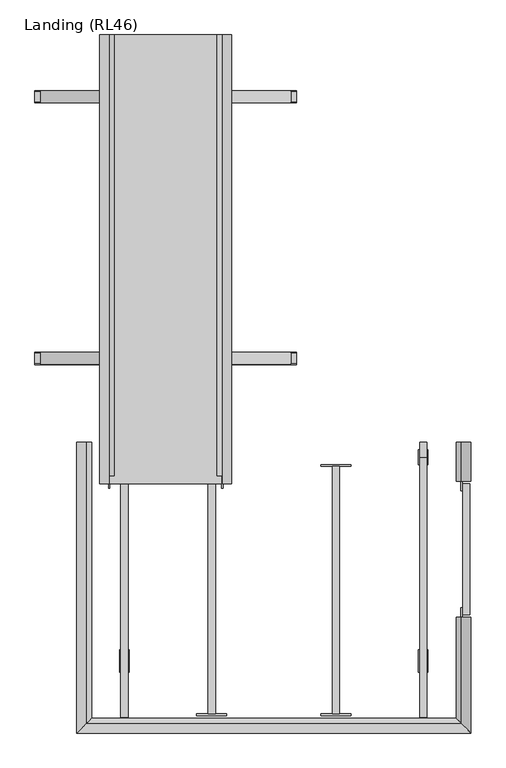
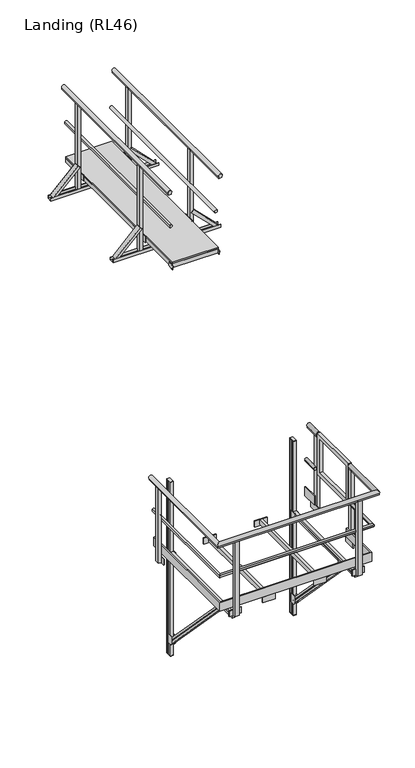
"""IFC4 building model written with IfcOpenShell, lengths in millimetres: proxy geometry, Landing (RL46)."""

from ifc_helpers import new_model, si_unit, frame, origin, place, context, project, spatial, polyline, circle_curve, ellipse_curve, outline, extrude, faceted_brep, source, transform, mapped, element, save
from ifc_brep_helpers import plane_surface, cylinder_surface, advanced_brep


def landing_rl46_ac46cdca(model_context):
    return source(origin(), model_context, "Body", "SolidModel", [
        advanced_brep(
        [(-1680.0, 2400.0, 9486.25), (-1680.0, 2400.0, 9459.75), (-1680.0, 41.3809842, 9486.25), (-1680.0, 41.3809842, 9459.75), (-1694.9812383, 41.3809842, 9493.0)],
        [
            (0, 1),
            (1, 0, circle_curve(frame((-1694.9812383, 2400.0, 9473.0), z_axis=(0.0, 1.0, 0.0), x_axis=(-1.0, 0.0, 0.0)), 20.0)),
            (0, 2),
            (2, 3),
            (3, 1),
            (3, 4, circle_curve(frame((-1694.9812383, 41.3809842, 9473.0), z_axis=(0.0, 1.0, 0.0), x_axis=(-1.0, 0.0, 0.0)), 20.0)),
            (4, 2, circle_curve(frame((-1694.9812383, 41.3809842, 9473.0), z_axis=(0.0, 1.0, 0.0), x_axis=(-1.0, 0.0, 0.0)), 20.0)),
        ],
        [
            plane_surface(frame((-1714.9812383, 2400.0, 9473.0), z_axis=(0.0, 1.0, 0.0), x_axis=(0.0, 0.0, 1.0))),
            plane_surface(frame((-1680.0, 0.0, 9459.75), z_axis=(1.0, 0.0, 0.0), x_axis=(0.0, 1.0, 0.0))),
            cylinder_surface(frame((-1694.9812383, 2400.0, 9473.0), z_axis=(0.0, -1.0, 0.0), x_axis=(-1.0, 0.0, 0.0)), 20.0),
            plane_surface(frame((-1617.2512627, 41.3809842, 9000.0), z_axis=(0.0, -1.0, 0.0), x_axis=(-1.0, 0.0, 0.0))),
        ],
        [
            (0, [[1, 2]]),
            (1, [[-1, 3, 4, 5]]),
            (2, [[-2, -5, 6, 7, -3]]),
            (3, [[-4, -7, -6]]),
        ],
    ),
        advanced_brep(
        [(-2299.0, 2400.0, 9486.25), (-2299.0, 2400.0, 9459.75), (-2299.0, 41.3809842, 9459.75), (-2299.0, 41.3809842, 9486.25), (-2284.0187617, 41.3809842, 9493.0)],
        [
            (0, 1, circle_curve(frame((-2284.0187617, 2400.0, 9473.0), z_axis=(0.0, 1.0, 0.0), x_axis=(1.0, 0.0, 0.0)), 20.0)),
            (1, 0),
            (1, 2),
            (2, 3),
            (3, 0),
            (3, 4, circle_curve(frame((-2284.0187617, 41.3809842, 9473.0), z_axis=(0.0, 1.0, 0.0), x_axis=(1.0, 0.0, 0.0)), 20.0)),
            (4, 2, circle_curve(frame((-2284.0187617, 41.3809842, 9473.0), z_axis=(0.0, 1.0, 0.0), x_axis=(1.0, 0.0, 0.0)), 20.0)),
        ],
        [
            plane_surface(frame((-2299.0, 2400.0, 9459.75), z_axis=(0.0, 1.0, 0.0), x_axis=(0.0, 0.0, 1.0))),
            plane_surface(frame((-2299.0, 0.0, 9486.25), z_axis=(-1.0, 0.0, 0.0), x_axis=(0.0, 1.0, 0.0))),
            cylinder_surface(frame((-2284.0187617, 2400.0, 9473.0), z_axis=(0.0, -1.0, 0.0), x_axis=(1.0, 0.0, 0.0)), 20.0),
            plane_surface(frame((-1617.2512627, 41.3809842, 9000.0), z_axis=(0.0, -1.0, 0.0), x_axis=(-1.0, 0.0, 0.0))),
        ],
        [
            (0, [[1, 2]]),
            (1, [[-2, 3, 4, 5]]),
            (2, [[-1, -5, 6, 7, -3]]),
            (3, [[-4, -7, -6]]),
        ],
    ),
        advanced_brep(
        [(-1640.0, 2400.0, 9961.43534), (-1640.0, 2400.0, 9943.0), (-1682.0, 2400.0, 9943.0), (-1682.0, 2400.0, 9961.43534), (-1640.0, 0.0, 9961.43534), (-1640.0, 0.0, 9943.0), (-1682.0, 0.0, 9943.0), (-1682.0, 0.0, 9961.43534), (-1661.0, 0.0, 10000.0)],
        [
            (0, 1),
            (1, 2),
            (2, 3),
            (3, 0, circle_curve(frame((-1661.0, 2400.0, 9975.0), z_axis=(0.0, 1.0, 0.0), x_axis=(-1.0, 0.0, 0.0)), 25.0)),
            (4, 5),
            (5, 1),
            (0, 4),
            (5, 6),
            (6, 2),
            (6, 7),
            (7, 3),
            (7, 8, circle_curve(frame((-1661.0, 0.0, 9975.0), z_axis=(0.0, 1.0, 0.0), x_axis=(-1.0, 0.0, 0.0)), 25.0)),
            (8, 4, circle_curve(frame((-1661.0, 0.0, 9975.0), z_axis=(0.0, 1.0, 0.0), x_axis=(-1.0, 0.0, 0.0)), 25.0)),
        ],
        [
            plane_surface(frame((-1686.0, 2400.0, 9975.0), z_axis=(0.0, 1.0, 0.0), x_axis=(0.0, 0.0, 1.0))),
            plane_surface(frame((-1640.0, 0.0, 9943.0), z_axis=(1.0, 0.0, 0.0), x_axis=(0.0, 1.0, 0.0))),
            plane_surface(frame((-1682.0, 0.0, 9943.0), z_axis=(0.0, 0.0, -1.0), x_axis=(0.0, 1.0, 0.0))),
            plane_surface(frame((-1682.0, 0.0, 9961.43534), z_axis=(-1.0, 0.0, 0.0), x_axis=(0.0, 1.0, 0.0))),
            cylinder_surface(frame((-1661.0, 2400.0, 9975.0), z_axis=(0.0, -1.0, 0.0), x_axis=(-1.0, 0.0, 0.0)), 25.0),
            plane_surface(frame((-1686.0, 0.0, 9975.0), z_axis=(0.0, -1.0, 0.0), x_axis=(0.0, 0.0, -1.0))),
        ],
        [
            (0, [[1, 2, 3, 4]]),
            (1, [[5, 6, -1, 7]]),
            (2, [[8, 9, -2, -6]]),
            (3, [[10, 11, -3, -9]]),
            (4, [[-4, -11, 12, 13, -7]]),
            (5, [[-10, -8, -5, -13, -12]]),
        ],
    ),
        advanced_brep(
        [(-2339.0, 2400.0, 9961.43534), (-2297.0, 2400.0, 9961.43534), (-2297.0, 2400.0, 9943.0), (-2339.0, 2400.0, 9943.0), (-2339.0, 0.0, 9943.0), (-2339.0, 0.0, 9961.43534), (-2297.0, 0.0, 9943.0), (-2297.0, 0.0, 9961.43534), (-2318.0, 0.0, 10000.0)],
        [
            (0, 1, circle_curve(frame((-2318.0, 2400.0, 9975.0), z_axis=(0.0, 1.0, 0.0), x_axis=(1.0, 0.0, 0.0)), 25.0)),
            (1, 2),
            (2, 3),
            (3, 0),
            (4, 5),
            (5, 0),
            (3, 4),
            (6, 4),
            (2, 6),
            (7, 6),
            (1, 7),
            (5, 8, circle_curve(frame((-2318.0, 0.0, 9975.0), z_axis=(0.0, 1.0, 0.0), x_axis=(1.0, 0.0, 0.0)), 25.0)),
            (8, 7, circle_curve(frame((-2318.0, 0.0, 9975.0), z_axis=(0.0, 1.0, 0.0), x_axis=(1.0, 0.0, 0.0)), 25.0)),
        ],
        [
            plane_surface(frame((-2339.0, 2400.0, 9943.0), z_axis=(0.0, 1.0, 0.0), x_axis=(0.0, 0.0, 1.0))),
            plane_surface(frame((-2339.0, 0.0, 9961.43534), z_axis=(-1.0, 0.0, 0.0), x_axis=(0.0, 1.0, 0.0))),
            plane_surface(frame((-2339.0, 0.0, 9943.0), z_axis=(0.0, 0.0, -1.0), x_axis=(0.0, 1.0, 0.0))),
            plane_surface(frame((-2297.0, 0.0, 9943.0), z_axis=(1.0, 0.0, 0.0), x_axis=(0.0, 1.0, 0.0))),
            cylinder_surface(frame((-2318.0, 2400.0, 9975.0), z_axis=(0.0, -1.0, 0.0), x_axis=(1.0, 0.0, 0.0)), 25.0),
            plane_surface(frame((-2339.0, 0.0, 9943.0), z_axis=(0.0, -1.0, 0.0), x_axis=(0.0, 0.0, -1.0))),
        ],
        [
            (0, [[1, 2, 3, 4]]),
            (1, [[5, 6, -4, 7]]),
            (2, [[8, -7, -3, 9]]),
            (3, [[10, -9, -2, 11]]),
            (4, [[-1, -6, 12, 13, -11]]),
            (5, [[-5, -8, -10, -13, -12]]),
        ],
    ),
        extrude(outline(polyline([(-1689.5, 2400.0), (-1689.5, 0.0), (-2289.5, 0.0), (-2289.5, 2400.0), (-1689.5, 2400.0)]), holes=[polyline([(-1727.5, 2362.0), (-2251.5, 2362.0), (-2251.5, 38.0), (-1727.5, 38.0), (-1727.5, 2362.0)])]), frame((0.0, 0.0, 8924.2375855), z_axis=(0.0, 0.0, 1.0), x_axis=(1.0, 0.0, 0.0)), (0.0, 0.0, 1.0), 57.2624145),
        extrude(outline(polyline([(699.5, 8788.0), (702.5, 8788.0), (702.5, 8750.0), (637.5, 8750.0), (637.5, 8788.0), (640.5, 8788.0), (640.5, 8753.0), (699.5, 8753.0), (699.5, 8788.0)])), frame((-2689.5, 0.0, 0.0), z_axis=(1.0, 0.0, 0.0), x_axis=(0.0, 1.0, 0.0)), (0.0, 0.0, 1.0), 1400.0),
        extrude(outline(polyline([(2102.5, 8788.0), (2102.5, 8750.0), (2037.5, 8750.0), (2037.5, 8788.0), (2040.5, 8788.0), (2040.5, 8753.0), (2099.5, 8753.0), (2099.5, 8788.0), (2102.5, 8788.0)])), frame((-2689.5, 0.0, 0.0), z_axis=(1.0, 0.0, 0.0), x_axis=(0.0, 1.0, 0.0)), (0.0, 0.0, 1.0), 1400.0),
        extrude(outline(polyline([(-29.0, -38.0), (-32.0, -38.0), (-32.0, 0.0), (32.0, 0.0), (32.0, -38.0), (29.0, -38.0), (29.0, -2.9999999), (-29.0, -2.9999999), (-29.0, -38.0)])), frame((-1319.5, 670.0, 8788.0), z_axis=(-0.7071067811865459, 0.0, 0.7071067811865492), x_axis=(0.0, -1.0, 0.0)), (0.0, 0.0, 1.0), 456.0838739),
        extrude(outline(polyline([(-29.0, 38.0), (-29.0, 2.9999999), (29.0, 2.9999999), (29.0, 38.0), (32.0, 38.0), (32.0, 0.0), (-32.0, 0.0), (-32.0, 38.0), (-29.0, 38.0)])), frame((-2659.5, 670.0, 8788.0), z_axis=(0.7071067811865526, 0.0, 0.7071067811865425), x_axis=(0.0, -1.0, 0.0)), (0.0, 0.0, 1.0), 456.0838739),
        extrude(outline(polyline([(-29.0, -38.0), (-32.0, -38.0), (-32.0, 0.0), (32.0, 0.0), (32.0, -38.0), (29.0, -38.0), (29.0, -2.9999999), (-29.0, -2.9999999), (-29.0, -38.0)])), frame((-1319.5, 2070.0, 8788.0), z_axis=(-0.7071067811865461, 0.0, 0.7071067811865491), x_axis=(0.0, -1.0, 0.0)), (0.0, 0.0, 1.0), 456.0838739),
        extrude(outline(polyline([(-29.0, 38.0), (-29.0, 2.9999999), (29.0, 2.9999999), (29.0, 38.0), (32.0, 38.0), (32.0, 0.0), (-32.0, 0.0), (-32.0, 38.0), (-29.0, 38.0)])), frame((-2659.5, 2070.0, 8788.0), z_axis=(0.7071067811865526, 0.0, 0.7071067811865425), x_axis=(0.0, -1.0, 0.0)), (0.0, 0.0, 1.0), 456.0838739),
        extrude(outline(polyline([(-1642.0, 699.0), (-1642.0, 641.0), (-1680.0, 641.0), (-1680.0, 699.0), (-1642.0, 699.0)])), frame((0.0, 0.0, 8753.0), z_axis=(0.0, 0.0, 1.0), x_axis=(1.0, 0.0, 0.0)), (0.0, 0.0, 1.0), 1190.0),
        extrude(outline(polyline([(-1642.0, 2099.0), (-1642.0, 2041.0), (-1680.0, 2041.0), (-1680.0, 2099.0), (-1642.0, 2099.0)])), frame((0.0, 0.0, 8753.0), z_axis=(0.0, 0.0, 1.0), x_axis=(1.0, 0.0, 0.0)), (0.0, 0.0, 1.0), 1190.0),
        extrude(outline(polyline([(-2299.0, 2099.0), (-2299.0, 2041.0), (-2337.0, 2041.0), (-2337.0, 2099.0), (-2299.0, 2099.0)])), frame((0.0, 0.0, 8753.0), z_axis=(0.0, 0.0, 1.0), x_axis=(1.0, 0.0, 0.0)), (0.0, 0.0, 1.0), 1190.0),
        extrude(outline(polyline([(-2299.0, 699.0), (-2299.0, 641.0), (-2337.0, 641.0), (-2337.0, 699.0), (-2299.0, 699.0)])), frame((0.0, 0.0, 8753.0), z_axis=(0.0, 0.0, 1.0), x_axis=(1.0, 0.0, 0.0)), (0.0, 0.0, 1.0), 1190.0),
        extrude(outline(polyline([(-1689.5, 2400.0), (-1689.5, 0.0), (-2289.5, 0.0), (-2289.5, 2400.0), (-1689.5, 2400.0)])), frame((0.0, 0.0, 8981.5), z_axis=(0.0, 0.0, 1.0), x_axis=(1.0, 0.0, 0.0)), (0.0, 0.0, 1.0), 18.5),
        extrude(outline(polyline([(0.0, -75.0156698), (0.0, 0.0), (6.0, 0.0), (6.0, -75.0156698), (0.0, -75.0156698)])), frame((-1689.5, 61.9987697, 8924.2375855), z_axis=(0.0, -0.2282093973208778, 0.9736120741724816), x_axis=(1.0, 0.0, 0.0)), (0.0, 0.0, 1.0), 56.5477611),
        extrude(outline(polyline([(0.0, -75.0156698), (0.0, 0.0), (6.0, 0.0), (6.0, -75.0156698), (0.0, -75.0156698)])), frame((-2289.5, -11.0373922, 8907.1183047), z_axis=(0.0, -0.22820939732087775, 0.9736120741724816), x_axis=(-1.0, 0.0, 0.0)), (0.0, 0.0, 1.0), 56.5477611),
        extrude(outline(polyline([(-1689.5, 1990.0), (-1689.5, 2150.0), (-1680.0, 2150.0), (-1680.0, 1990.0), (-1689.5, 1990.0)])), frame((0.0, 0.0, 8920.0), z_axis=(0.0, 0.0, 1.0), x_axis=(1.0, 0.0, 0.0)), (0.0, 0.0, 1.0), 80.0),
        extrude(outline(polyline([(-1689.5, 590.0), (-1689.5, 750.0), (-1680.0, 750.0), (-1680.0, 590.0), (-1689.5, 590.0)])), frame((0.0, 0.0, 8920.0), z_axis=(0.0, 0.0, 1.0), x_axis=(1.0, 0.0, 0.0)), (0.0, 0.0, 1.0), 80.0),
        extrude(outline(polyline([(-2289.5, 2150.0), (-2289.5, 1990.0), (-2299.0, 1990.0), (-2299.0, 2150.0), (-2289.5, 2150.0)])), frame((0.0, 0.0, 8920.0), z_axis=(0.0, 0.0, 1.0), x_axis=(1.0, 0.0, 0.0)), (0.0, 0.0, 1.0), 80.0),
        extrude(outline(polyline([(-2289.5, 750.0), (-2289.5, 590.0), (-2299.0, 590.0), (-2299.0, 750.0), (-2289.5, 750.0)])), frame((0.0, 0.0, 8920.0), z_axis=(0.0, 0.0, 1.0), x_axis=(1.0, 0.0, 0.0)), (0.0, 0.0, 1.0), 80.0),
        extrude(outline(polyline([(-1727.5, 1831.0), (-1727.5, 1793.0), (-2251.5, 1793.0), (-2251.5, 1831.0), (-1727.5, 1831.0)])), frame((0.0, 0.0, 8923.5), z_axis=(0.0, 0.0, 1.0), x_axis=(1.0, 0.0, 0.0)), (0.0, 0.0, 1.0), 58.0),
        extrude(outline(polyline([(-1727.5, 1240.5), (-1727.5, 1202.5), (-2251.5, 1202.5), (-2251.5, 1240.5), (-1727.5, 1240.5)])), frame((0.0, 0.0, 8923.5), z_axis=(0.0, 0.0, 1.0), x_axis=(1.0, 0.0, 0.0)), (0.0, 0.0, 1.0), 58.0),
        extrude(outline(polyline([(-1727.5, 650.0), (-1727.5, 612.0), (-2251.5, 612.0), (-2251.5, 650.0), (-1727.5, 650.0)])), frame((0.0, 0.0, 8923.5), z_axis=(0.0, 0.0, 1.0), x_axis=(1.0, 0.0, 0.0)), (0.0, 0.0, 1.0), 58.0),
        extrude(outline(polyline([(-639.75, -1288.0), (-581.25, -1288.0), (-581.25, -1326.5), (-639.75, -1326.5), (-639.75, -1288.0)])), frame((0.0, 0.0, 4909.0), z_axis=(0.0, 0.0, 1.0), x_axis=(1.0, 0.0, 0.0)), (0.0, 0.0, 1.0), 1035.5),
        extrude(outline(polyline([(-690.5, -1288.0), (-690.5, -1278.0), (-530.5, -1278.0), (-530.5, -1288.0), (-690.5, -1288.0)])), frame((0.0, 0.0, 4904.0), z_axis=(0.0, 0.0, 1.0), x_axis=(1.0, 0.0, 0.0)), (0.0, 0.0, 1.0), 80.0),
        extrude(outline(polyline([(-629.75, 222.0), (-591.25, 222.0), (-591.25, 142.0), (-629.75, 142.0), (-629.75, 222.0)])), frame((0.0, 0.0, 3471.1412976), z_axis=(0.0, 0.0, 1.0), x_axis=(1.0, 0.0, 0.0)), (0.0, 0.0, 1.0), 5.0),
        extrude(outline(polyline([(-629.75, 222.0), (-591.25, 222.0), (-591.25, 142.0), (-629.75, 142.0), (-629.75, 222.0)])), frame((0.0, 0.0, 5866.1412976), z_axis=(0.0, 0.0, 1.0), x_axis=(1.0, 0.0, 0.0)), (0.0, 0.0, 1.0), 5.0),
        extrude(outline(polyline([(4841.8912976, -591.25), (4865.8912976, -591.25), (4865.8912976, -595.25), (4876.3912976, -595.25), (4876.3912976, -591.25), (4904.0, -591.25), (4904.0, -629.75), (4876.3912976, -629.75), (4876.3912976, -625.75), (4865.8912976, -625.75), (4865.8912976, -629.75), (4841.8912976, -629.75), (4841.8912976, -591.25)])), frame((0.0, -1248.0, 0.0), z_axis=(0.0, 1.0, 0.0), x_axis=(0.0, 0.0, 1.0)), (0.0, 0.0, 1.0), 1390.0),
        extrude(outline(polyline([(-629.75, 187.25), (-629.75, 204.5), (-616.75, 204.5), (-616.75, 215.0), (-629.75, 215.0), (-629.75, 222.0), (-591.25, 222.0), (-591.25, 215.0), (-604.25, 215.0), (-604.25, 204.5), (-591.25, 204.5), (-591.25, 187.25), (-604.25, 187.25), (-604.25, 176.75), (-591.25, 176.75), (-591.25, 159.5), (-604.25, 159.5), (-604.25, 149.0), (-591.25, 149.0), (-591.25, 142.0), (-629.75, 142.0), (-629.75, 149.0), (-616.75, 149.0), (-616.75, 159.5), (-629.75, 159.5), (-629.75, 176.75), (-616.75, 176.75), (-616.75, 187.25), (-629.75, 187.25)])), frame((0.0, 0.0, 3476.1412976), z_axis=(0.0, 0.0, 1.0), x_axis=(1.0, 0.0, 0.0)), (0.0, 0.0, 1.0), 2390.0),
        faceted_brep([(-591.25, 123.4263393, 3650.8567388), (-629.75, 123.4263393, 3650.8567388), (-629.75, 140.7175481, 3667.5004794), (-625.75, 140.7175481, 3667.5004794), (-625.75, 148.2824519, 3674.7821159), (-629.75, 148.2824519, 3674.7821159), (-629.75, 165.5736607, 3691.4258565), (-591.25, 165.5736607, 3691.4258565), (-591.25, 148.2824519, 3674.7821159), (-595.25, 148.2824519, 3674.7821159), (-595.25, 140.7175481, 3667.5004794), (-591.25, 140.7175481, 3667.5004794), (-591.25, -983.0891868, 4801.2106317), (-591.25, -965.3553906, 4817.381979), (-595.25, -965.3553906, 4817.381979), (-595.25, -957.5968548, 4824.4569434), (-591.25, -957.5968548, 4824.4569434), (-591.25, -939.8630585, 4840.6282906), (-629.75, -939.8630585, 4840.6282906), (-629.75, -957.5968548, 4824.4569434), (-625.75, -957.5968548, 4824.4569434), (-625.75, -965.3553906, 4817.381979), (-629.75, -965.3553906, 4817.381979), (-629.75, -983.0891868, 4801.2106317), (-591.25, -951.8315568, 4802.5514945), (-591.25, -969.3472449, 4786.140966), (-595.25, -951.8315568, 4802.5514945), (-595.25, -944.1684432, 4809.7311008), (-591.25, -944.1684432, 4809.7311008), (-591.25, -926.6527551, 4826.1416293), (-629.75, -926.6527551, 4826.1416293), (-629.75, -944.1684432, 4809.7311008), (-625.75, -944.1684432, 4809.7311008), (-625.75, -951.8315568, 4802.5514945), (-629.75, -951.8315568, 4802.5514945), (-629.75, -969.3472449, 4786.140966)], [[[0, 1, 2, 3, 4, 5, 6, 7, 8, 9, 10, 11]], [[12, 13, 14, 15, 16, 17, 18, 19, 20, 21, 22, 23]], [[11, 24, 13, 12, 25, 0]], [[10, 26, 24, 11]], [[9, 27, 15, 14, 26, 10]], [[8, 28, 27, 9]], [[7, 29, 17, 16, 28, 8]], [[6, 30, 29, 7]], [[5, 31, 19, 18, 30, 6]], [[4, 32, 31, 5]], [[3, 33, 21, 20, 32, 4]], [[2, 34, 33, 3]], [[1, 35, 23, 22, 34, 2]], [[0, 25, 35, 1]], [[26, 14, 13, 24]], [[28, 16, 15, 27]], [[30, 18, 17, 29]], [[32, 20, 19, 31]], [[34, 22, 21, 33]], [[25, 12, 23, 35]]]),
        extrude(outline(polyline([(102.0, 3761.1412976), (182.0, 3761.1412976), (182.0, 3641.1412976), (126.0, 3641.1412976), (102.0, 3665.1412976), (102.0, 3761.1412976)])), frame((-635.75, 0.0, 0.0), z_axis=(1.0, 0.0, 0.0), x_axis=(0.0, 1.0, 0.0)), (0.0, 0.0, 1.0), 6.0),
        extrude(outline(polyline([(182.0, 4904.0), (182.0, 4784.0), (126.0, 4784.0), (102.0, 4808.0), (102.0, 4904.0), (182.0, 4904.0)])), frame((-635.75, 0.0, 0.0), z_axis=(1.0, 0.0, 0.0), x_axis=(0.0, 1.0, 0.0)), (0.0, 0.0, 1.0), 6.0),
        extrude(outline(polyline([(-888.0, 4791.1412976), (-984.0, 4791.1412976), (-1008.0, 4815.1412976), (-1008.0, 4871.1412976), (-888.0, 4871.1412976), (-888.0, 4791.1412976)])), frame((-635.75, 0.0, 0.0), z_axis=(1.0, 0.0, 0.0), x_axis=(0.0, 1.0, 0.0)), (0.0, 0.0, 1.0), 6.0),
        extrude(outline(polyline([(102.0, 3761.1412976), (182.0, 3761.1412976), (182.0, 3641.1412976), (126.0, 3641.1412976), (102.0, 3665.1412976), (102.0, 3761.1412976)])), frame((-591.25, 0.0, 0.0), z_axis=(1.0, 0.0, 0.0), x_axis=(0.0, 1.0, 0.0)), (0.0, 0.0, 1.0), 6.0),
        extrude(outline(polyline([(182.0, 4904.0), (182.0, 4784.0), (126.0, 4784.0), (102.0, 4808.0), (102.0, 4904.0), (182.0, 4904.0)])), frame((-591.25, 0.0, 0.0), z_axis=(1.0, 0.0, 0.0), x_axis=(0.0, 1.0, 0.0)), (0.0, 0.0, 1.0), 6.0),
        extrude(outline(polyline([(-888.0, 4791.1412976), (-984.0, 4791.1412976), (-1008.0, 4815.1412976), (-1008.0, 4871.1412976), (-888.0, 4871.1412976), (-888.0, 4791.1412976)])), frame((-591.25, 0.0, 0.0), z_axis=(1.0, 0.0, 0.0), x_axis=(0.0, 1.0, 0.0)), (0.0, 0.0, 1.0), 6.0),
        extrude(outline(polyline([(-2191.25, 222.0), (-2191.25, 142.0), (-2229.75, 142.0), (-2229.75, 222.0), (-2191.25, 222.0)])), frame((0.0, 0.0, 3471.1412976), z_axis=(0.0, 0.0, 1.0), x_axis=(1.0, 0.0, 0.0)), (0.0, 0.0, 1.0), 5.0),
        extrude(outline(polyline([(-2191.25, 222.0), (-2191.25, 142.0), (-2229.75, 142.0), (-2229.75, 222.0), (-2191.25, 222.0)])), frame((0.0, 0.0, 5866.1412976), z_axis=(0.0, 0.0, 1.0), x_axis=(1.0, 0.0, 0.0)), (0.0, 0.0, 1.0), 5.0),
        extrude(outline(polyline([(4841.8912976, -2229.75), (4841.8912976, -2191.25), (4865.8912976, -2191.25), (4865.8912976, -2195.25), (4876.3912976, -2195.25), (4876.3912976, -2191.25), (4904.0, -2191.25), (4904.0, -2229.75), (4876.3912976, -2229.75), (4876.3912976, -2225.75), (4865.8912976, -2225.75), (4865.8912976, -2229.75), (4841.8912976, -2229.75)])), frame((0.0, -1248.0, 0.0), z_axis=(0.0, 1.0, 0.0), x_axis=(0.0, 0.0, 1.0)), (0.0, 0.0, 1.0), 1390.0),
        extrude(outline(polyline([(-2191.25, 187.25), (-2204.25, 187.25), (-2204.25, 176.75), (-2191.25, 176.75), (-2191.25, 159.5), (-2204.25, 159.5), (-2204.25, 149.0), (-2191.25, 149.0), (-2191.25, 142.0), (-2229.75, 142.0), (-2229.75, 149.0), (-2216.75, 149.0), (-2216.75, 159.5), (-2229.75, 159.5), (-2229.75, 176.75), (-2216.75, 176.75), (-2216.75, 187.25), (-2229.75, 187.25), (-2229.75, 204.5), (-2216.75, 204.5), (-2216.75, 215.0), (-2229.75, 215.0), (-2229.75, 222.0), (-2191.25, 222.0), (-2191.25, 215.0), (-2204.25, 215.0), (-2204.25, 204.5), (-2191.25, 204.5), (-2191.25, 187.25)])), frame((0.0, 0.0, 3476.1412976), z_axis=(0.0, 0.0, 1.0), x_axis=(1.0, 0.0, 0.0)), (0.0, 0.0, 1.0), 2390.0),
        faceted_brep([(-2229.75, 123.4263393, 3650.8567388), (-2229.75, 140.7175481, 3667.5004794), (-2225.75, 140.7175481, 3667.5004794), (-2225.75, 148.2824519, 3674.7821159), (-2229.75, 148.2824519, 3674.7821159), (-2229.75, 165.5736607, 3691.4258565), (-2191.25, 165.5736607, 3691.4258565), (-2191.25, 148.2824519, 3674.7821159), (-2195.25, 148.2824519, 3674.7821159), (-2195.25, 140.7175481, 3667.5004794), (-2191.25, 140.7175481, 3667.5004794), (-2191.25, 123.4263393, 3650.8567388), (-2229.75, -983.0891868, 4801.2106317), (-2191.25, -983.0891868, 4801.2106317), (-2191.25, -965.3553906, 4817.381979), (-2195.25, -965.3553906, 4817.381979), (-2195.25, -957.5968548, 4824.4569434), (-2191.25, -957.5968548, 4824.4569434), (-2191.25, -939.8630585, 4840.6282906), (-2229.75, -939.8630585, 4840.6282906), (-2229.75, -957.5968548, 4824.4569434), (-2225.75, -957.5968548, 4824.4569434), (-2225.75, -965.3553906, 4817.381979), (-2229.75, -965.3553906, 4817.381979), (-2229.75, -969.3472449, 4786.140966), (-2229.75, -951.8315568, 4802.5514945), (-2225.75, -951.8315568, 4802.5514945), (-2225.75, -944.1684432, 4809.7311008), (-2229.75, -944.1684432, 4809.7311008), (-2229.75, -926.6527551, 4826.1416293), (-2191.25, -926.6527551, 4826.1416293), (-2191.25, -944.1684432, 4809.7311008), (-2195.25, -944.1684432, 4809.7311008), (-2195.25, -951.8315568, 4802.5514945), (-2191.25, -951.8315568, 4802.5514945), (-2191.25, -969.3472449, 4786.140966)], [[[0, 1, 2, 3, 4, 5, 6, 7, 8, 9, 10, 11]], [[12, 13, 14, 15, 16, 17, 18, 19, 20, 21, 22, 23]], [[1, 0, 24, 12, 23, 25]], [[2, 1, 25, 26]], [[3, 2, 26, 22, 21, 27]], [[4, 3, 27, 28]], [[5, 4, 28, 20, 19, 29]], [[6, 5, 29, 30]], [[7, 6, 30, 18, 17, 31]], [[8, 7, 31, 32]], [[9, 8, 32, 16, 15, 33]], [[10, 9, 33, 34]], [[11, 10, 34, 14, 13, 35]], [[0, 11, 35, 24]], [[26, 25, 23, 22]], [[28, 27, 21, 20]], [[30, 29, 19, 18]], [[32, 31, 17, 16]], [[34, 33, 15, 14]], [[24, 35, 13, 12]]]),
        extrude(outline(polyline([(102.0, 3761.1412976), (182.0, 3761.1412976), (182.0, 3641.1412976), (126.0, 3641.1412976), (102.0, 3665.1412976), (102.0, 3761.1412976)])), frame((-2191.25, 0.0, 0.0), z_axis=(1.0, 0.0, 0.0), x_axis=(0.0, 1.0, 0.0)), (0.0, 0.0, 1.0), 6.0),
        extrude(outline(polyline([(182.0, 4904.0), (182.0, 4784.0), (126.0, 4784.0), (102.0, 4808.0), (102.0, 4904.0), (182.0, 4904.0)])), frame((-2191.25, 0.0, 0.0), z_axis=(1.0, 0.0, 0.0), x_axis=(0.0, 1.0, 0.0)), (0.0, 0.0, 1.0), 6.0),
        extrude(outline(polyline([(-888.0, 4791.1412976), (-984.0, 4791.1412976), (-1008.0, 4815.1412976), (-1008.0, 4871.1412976), (-888.0, 4871.1412976), (-888.0, 4791.1412976)])), frame((-2191.25, 0.0, 0.0), z_axis=(1.0, 0.0, 0.0), x_axis=(0.0, 1.0, 0.0)), (0.0, 0.0, 1.0), 6.0),
        extrude(outline(polyline([(102.0, 3761.1412976), (182.0, 3761.1412976), (182.0, 3641.1412976), (126.0, 3641.1412976), (102.0, 3665.1412976), (102.0, 3761.1412976)])), frame((-2235.75, 0.0, 0.0), z_axis=(1.0, 0.0, 0.0), x_axis=(0.0, 1.0, 0.0)), (0.0, 0.0, 1.0), 6.0),
        extrude(outline(polyline([(182.0, 4904.0), (182.0, 4784.0), (126.0, 4784.0), (102.0, 4808.0), (102.0, 4904.0), (182.0, 4904.0)])), frame((-2235.75, 0.0, 0.0), z_axis=(1.0, 0.0, 0.0), x_axis=(0.0, 1.0, 0.0)), (0.0, 0.0, 1.0), 6.0),
        extrude(outline(polyline([(-888.0, 4791.1412976), (-984.0, 4791.1412976), (-1008.0, 4815.1412976), (-1008.0, 4871.1412976), (-888.0, 4871.1412976), (-888.0, 4791.1412976)])), frame((-2235.75, 0.0, 0.0), z_axis=(1.0, 0.0, 0.0), x_axis=(0.0, 1.0, 0.0)), (0.0, 0.0, 1.0), 6.0),
        extrude(outline(polyline([(-1058.75, 93.5), (-1058.75, -1229.5), (-1097.25, -1229.5), (-1097.25, 93.5), (-1058.75, 93.5)])), frame((0.0, 0.0, 4925.5), z_axis=(0.0, 0.0, 1.0), x_axis=(1.0, 0.0, 0.0)), (0.0, 0.0, 1.0), 58.5),
        extrude(outline(polyline([(-998.0, -1229.5), (-998.0, -1239.5), (-1158.0, -1239.5), (-1158.0, -1229.5), (-998.0, -1229.5)])), frame((0.0, 0.0, 4904.0), z_axis=(0.0, 0.0, 1.0), x_axis=(1.0, 0.0, 0.0)), (0.0, 0.0, 1.0), 80.0),
        extrude(outline(polyline([(-998.0, 103.5), (-998.0, 93.5), (-1158.0, 93.5), (-1158.0, 103.5), (-998.0, 103.5)])), frame((0.0, 0.0, 4904.0), z_axis=(0.0, 0.0, 1.0), x_axis=(1.0, 0.0, 0.0)), (0.0, 0.0, 1.0), 80.0),
        extrude(outline(polyline([(-400.5, -712.25), (-362.0, -712.25), (-362.0, -770.75), (-400.5, -770.75), (-400.5, -712.25)])), frame((0.0, 0.0, 4909.0), z_axis=(0.0, 0.0, 1.0), x_axis=(1.0, 0.0, 0.0)), (0.0, 0.0, 1.0), 1035.5),
        extrude(outline(polyline([(-400.5, -661.5), (-400.5, -821.5), (-410.5, -821.5), (-410.5, -661.5), (-400.5, -661.5)])), frame((0.0, 0.0, 4904.0), z_axis=(0.0, 0.0, 1.0), x_axis=(1.0, 0.0, 0.0)), (0.0, 0.0, 1.0), 80.0),
        extrude(outline(polyline([(-2420.5, 12.75), (-2459.0, 12.75), (-2459.0, 71.25), (-2420.5, 71.25), (-2420.5, 12.75)])), frame((0.0, 0.0, 4909.0), z_axis=(0.0, 0.0, 1.0), x_axis=(1.0, 0.0, 0.0)), (0.0, 0.0, 1.0), 1035.5),
        extrude(outline(polyline([(-2420.5, -38.0), (-2420.5, 122.0), (-2410.5, 122.0), (-2410.5, -38.0), (-2420.5, -38.0)])), frame((0.0, 0.0, 4904.0), z_axis=(0.0, 0.0, 1.0), x_axis=(1.0, 0.0, 0.0)), (0.0, 0.0, 1.0), 80.0),
        extrude(outline(polyline([(-400.5, 71.25), (-362.0, 71.25), (-362.0, 12.75), (-400.5, 12.75), (-400.5, 71.25)])), frame((0.0, 0.0, 4909.0), z_axis=(0.0, 0.0, 1.0), x_axis=(1.0, 0.0, 0.0)), (0.0, 0.0, 1.0), 1035.5),
        extrude(outline(polyline([(-400.5, 122.0), (-400.5, -38.0), (-410.5, -38.0), (-410.5, 122.0), (-400.5, 122.0)])), frame((0.0, 0.0, 4904.0), z_axis=(0.0, 0.0, 1.0), x_axis=(1.0, 0.0, 0.0)), (0.0, 0.0, 1.0), 80.0),
        extrude(outline(polyline([(-1762.25, 93.5), (-1723.75, 93.5), (-1723.75, -1229.5), (-1762.25, -1229.5), (-1762.25, 93.5)])), frame((0.0, 0.0, 4925.5), z_axis=(0.0, 0.0, 1.0), x_axis=(1.0, 0.0, 0.0)), (0.0, 0.0, 1.0), 58.5),
        extrude(outline(polyline([(-1823.0, -1229.5), (-1663.0, -1229.5), (-1663.0, -1239.5), (-1823.0, -1239.5), (-1823.0, -1229.5)])), frame((0.0, 0.0, 4904.0), z_axis=(0.0, 0.0, 1.0), x_axis=(1.0, 0.0, 0.0)), (0.0, 0.0, 1.0), 80.0),
        extrude(outline(polyline([(-1823.0, 103.5), (-1663.0, 103.5), (-1663.0, 93.5), (-1823.0, 93.5), (-1823.0, 103.5)])), frame((0.0, 0.0, 4904.0), z_axis=(0.0, 0.0, 1.0), x_axis=(1.0, 0.0, 0.0)), (0.0, 0.0, 1.0), 80.0),
        extrude(outline(polyline([(-2181.25, -1288.0), (-2181.25, -1326.5), (-2239.75, -1326.5), (-2239.75, -1288.0), (-2181.25, -1288.0)])), frame((0.0, 0.0, 4909.0), z_axis=(0.0, 0.0, 1.0), x_axis=(1.0, 0.0, 0.0)), (0.0, 0.0, 1.0), 1035.5),
        extrude(outline(polyline([(-2130.5, -1288.0), (-2290.5, -1288.0), (-2290.5, -1278.0), (-2130.5, -1278.0), (-2130.5, -1288.0)])), frame((0.0, 0.0, 4904.0), z_axis=(0.0, 0.0, 1.0), x_axis=(1.0, 0.0, 0.0)), (0.0, 0.0, 1.0), 80.0),
        advanced_brep(
        [(-2386.2, 222.0, 5492.825729), (-2386.2, -1253.7, 5492.825729), (-2420.5, -1288.0, 5487.8343903), (-2420.5, 222.0, 5487.8343903), (-2386.2, -1253.7, 5507.591183), (-2386.2, 222.0, 5507.591183), (-2420.5, 222.0, 5512.5825217), (-2420.5, -1288.0, 5512.5825217), (-400.5, -1288.0, 5512.5825217), (-434.8, -1253.7, 5507.591183), (-400.5, -1288.0, 5487.8343903), (-434.8, -1253.7, 5492.825729), (-434.8, -712.25, 5492.825729), (-400.5, -712.25, 5487.8343903), (-400.5, -712.25, 5512.5825217), (-434.8, -712.25, 5507.591183), (-2390.2, 222.0, 5492.825729), (-2390.2, -1257.7, 5492.825729), (-430.8, -1257.7, 5492.825729), (-430.8, -712.25, 5492.825729), (-430.8, -1257.7, 5507.591183), (-430.8, -712.25, 5507.591183), (-2390.2, -1257.7, 5507.591183), (-2390.2, 222.0, 5507.591183)],
        [
            (0, 1),
            (1, 2, ellipse_curve(frame((-2404.787505, -1272.287505, 5500.208456), z_axis=(-0.7071067811865475, 0.7071067811865475, 0.0), x_axis=(-0.7071067811865474, -0.7071067811865476, 0.0)), 28.2842712, 20.0)),
            (2, 3),
            (3, 0, circle_curve(frame((-2404.787505, 222.0, 5500.208456), z_axis=(0.0, -1.0, 0.0), x_axis=(-1.0, 0.0, 0.0)), 20.0)),
            (4, 5),
            (5, 6, circle_curve(frame((-2404.787505, 222.0, 5500.208456), z_axis=(0.0, -1.0, 0.0), x_axis=(-1.0, 0.0, 0.0)), 20.0)),
            (6, 7),
            (7, 4, ellipse_curve(frame((-2404.787505, -1272.287505, 5500.208456), z_axis=(-0.7071067811865475, 0.7071067811865475, 0.0), x_axis=(-0.7071067811865474, -0.7071067811865476, 0.0)), 28.2842712, 20.0)),
            (8, 9, ellipse_curve(frame((-416.212495, -1272.287505, 5500.208456), z_axis=(-0.7071067811865475, -0.7071067811865475, 0.0), x_axis=(0.7071067811865476, -0.7071067811865474, 0.0)), 28.2842712, 20.0)),
            (9, 4),
            (7, 8),
            (10, 8),
            (7, 2),
            (2, 10),
            (10, 11, ellipse_curve(frame((-416.212495, -1272.287505, 5500.208456), z_axis=(0.7071067811865475, 0.7071067811865475, 0.0), x_axis=(-0.7071067811865474, 0.7071067811865476, 0.0)), 28.2842712, 20.0)),
            (11, 12),
            (12, 13, circle_curve(frame((-416.212495, -712.25, 5500.208456), z_axis=(0.0, -1.0, 0.0), x_axis=(1.0, 0.0, 0.0)), 20.0)),
            (13, 10),
            (8, 14),
            (14, 15, circle_curve(frame((-416.212495, -712.25, 5500.208456), z_axis=(0.0, -1.0, 0.0), x_axis=(1.0, 0.0, 0.0)), 20.0)),
            (15, 9),
            (13, 14),
            (11, 1),
            (0, 16),
            (16, 17),
            (17, 18),
            (18, 19),
            (19, 12),
            (18, 20),
            (20, 21),
            (21, 19),
            (20, 22),
            (22, 23),
            (23, 5),
            (15, 21),
            (17, 22),
            (6, 3),
            (16, 23),
        ],
        [
            cylinder_surface(frame((-2404.787505, -1332.5, 5500.208456), z_axis=(0.0, -1.0, 0.0), x_axis=(-1.0, 0.0, 0.0)), 20.0),
            cylinder_surface(frame((-356.0, -1272.287505, 5500.208456), z_axis=(1.0, 0.0, 0.0), x_axis=(0.0, -1.0, 0.0)), 20.0),
            plane_surface(frame((-400.5, -1288.0, 5512.5825217), z_axis=(0.0, -1.0, 0.0), x_axis=(-1.0, 0.0, 0.0))),
            cylinder_surface(frame((-416.212495, 222.0, 5500.208456), z_axis=(0.0, 1.0, 0.0), x_axis=(1.0, 0.0, 0.0)), 20.0),
            plane_surface(frame((-400.5, 222.0, 5512.5825217), z_axis=(1.0, 0.0, 0.0), x_axis=(0.0, -1.0, 0.0))),
            plane_surface(frame((-434.8, 222.0, 5492.825729), z_axis=(0.0, 0.0, 1.0), x_axis=(0.0, -1.0, 0.0))),
            plane_surface(frame((-430.8, 222.0, 5492.825729), z_axis=(-1.0, 0.0, 0.0), x_axis=(0.0, -1.0, 0.0))),
            plane_surface(frame((-430.8, 222.0, 5507.591183), z_axis=(0.0, 0.0, -1.0), x_axis=(0.0, -1.0, 0.0))),
            plane_surface(frame((-430.8, -1257.7, 5492.825729), z_axis=(0.0, 1.0, 0.0), x_axis=(-1.0, 0.0, 0.0))),
            plane_surface(frame((-2420.5, -1288.0, 5512.5825217), z_axis=(-1.0, 0.0, 0.0), x_axis=(0.0, 1.0, 0.0))),
            plane_surface(frame((-2390.2, -1257.7, 5492.825729), z_axis=(1.0, 0.0, 0.0), x_axis=(0.0, 1.0, 0.0))),
            plane_surface(frame((-2465.0, 222.0, 5990.0), z_axis=(0.0, 1.0, 0.0), x_axis=(0.0, 0.0, 1.0))),
            plane_surface(frame((-454.0, -712.25, 5990.0), z_axis=(0.0, 1.0, 0.0), x_axis=(0.0, 0.0, -1.0))),
        ],
        [
            (0, [[1, 2, 3, 4]]),
            (0, [[5, 6, 7, 8]]),
            (1, [[9, 10, -8, 11]]),
            (2, [[12, -11, 13, 14]]),
            (3, [[15, 16, 17, 18]]),
            (3, [[-9, 19, 20, 21]]),
            (4, [[-12, -18, 22, -19]]),
            (5, [[23, -1, 24, 25, 26, 27, 28, -16]]),
            (6, [[29, 30, 31, -27]]),
            (7, [[32, 33, 34, -5, -10, -21, 35, -30]]),
            (1, [[-15, -14, -2, -23]]),
            (8, [[-26, 36, -32, -29]]),
            (9, [[-13, -7, 37, -3]]),
            (10, [[-25, 38, -33, -36]]),
            (11, [[-24, -4, -37, -6, -34, -38]]),
            (12, [[-20, -22, -17, -28, -31, -35]]),
        ],
    ),
        advanced_brep(
        [(-400.5, 12.75, 5512.5825217), (-434.8, 12.75, 5507.591183), (-430.8, 12.75, 5507.591183), (-430.8, 12.75, 5492.825729), (-434.8, 12.75, 5492.825729), (-400.5, 12.75, 5487.8343903), (-434.8, 222.0, 5492.825729), (-400.5, 222.0, 5487.8343903), (-434.8, 222.0, 5507.591183), (-400.5, 222.0, 5512.5825217), (-430.8, 222.0, 5492.825729), (-430.8, 222.0, 5507.591183)],
        [
            (0, 1, circle_curve(frame((-416.212495, 12.75, 5500.208456), z_axis=(0.0, -1.0, 0.0), x_axis=(1.0, 0.0, 0.0)), 20.0)),
            (1, 2),
            (2, 3),
            (3, 4),
            (4, 5, circle_curve(frame((-416.212495, 12.75, 5500.208456), z_axis=(0.0, -1.0, 0.0), x_axis=(1.0, 0.0, 0.0)), 20.0)),
            (5, 0),
            (6, 7, circle_curve(frame((-416.212495, 222.0, 5500.208456), z_axis=(0.0, -1.0, 0.0), x_axis=(1.0, 0.0, 0.0)), 20.0)),
            (7, 5),
            (4, 6),
            (8, 9, circle_curve(frame((-416.212495, 222.0, 5500.208456), z_axis=(0.0, 1.0, 0.0), x_axis=(1.0, 0.0, 0.0)), 20.0)),
            (9, 7),
            (6, 10),
            (10, 11),
            (11, 8),
            (8, 1),
            (0, 9),
            (3, 10),
            (2, 11),
        ],
        [
            plane_surface(frame((-344.0, 12.75, 5990.0), z_axis=(0.0, -1.0, 0.0), x_axis=(0.0, 0.0, -1.0))),
            cylinder_surface(frame((-416.212495, 222.0, 5500.208456), z_axis=(0.0, 1.0, 0.0), x_axis=(1.0, 0.0, 0.0)), 20.0),
            plane_surface(frame((-356.0, 222.0, 5990.0), z_axis=(0.0, 1.0, 0.0), x_axis=(0.0, 0.0, 1.0))),
            plane_surface(frame((-400.5, 222.0, 5512.5825217), z_axis=(1.0, 0.0, 0.0), x_axis=(0.0, -1.0, 0.0))),
            plane_surface(frame((-434.8, 222.0, 5492.825729), z_axis=(0.0, 0.0, 1.0), x_axis=(0.0, -1.0, 0.0))),
            plane_surface(frame((-430.8, 222.0, 5492.825729), z_axis=(-1.0, 0.0, 0.0), x_axis=(0.0, -1.0, 0.0))),
            plane_surface(frame((-430.8, 222.0, 5507.591183), z_axis=(0.0, 0.0, -1.0), x_axis=(0.0, -1.0, 0.0))),
        ],
        [
            (0, [[1, 2, 3, 4, 5, 6]]),
            (1, [[7, 8, -5, 9]]),
            (2, [[10, 11, -7, 12, 13, 14]]),
            (1, [[-10, 15, -1, 16]]),
            (3, [[-11, -16, -6, -8]]),
            (4, [[-12, -9, -4, 17]]),
            (5, [[-13, -17, -3, 18]]),
            (6, [[-14, -18, -2, -15]]),
        ],
    ),
        advanced_brep(
        [(-381.0, 12.75, 5990.0), (-402.0, 12.75, 5951.43534), (-402.0, 12.75, 5933.0), (-360.0, 12.75, 5933.0), (-360.0, 12.75, 5951.43534), (-402.0, 222.0, 5951.43534), (-402.0, 222.0, 5933.0), (-360.0, 222.0, 5951.43534), (-360.0, 222.0, 5933.0)],
        [
            (0, 1, circle_curve(frame((-381.0, 12.75, 5965.0), z_axis=(0.0, -1.0, 0.0), x_axis=(1.0, 0.0, 0.0)), 25.0)),
            (1, 2),
            (2, 3),
            (3, 4),
            (4, 0, circle_curve(frame((-381.0, 12.75, 5965.0), z_axis=(0.0, -1.0, 0.0), x_axis=(1.0, 0.0, 0.0)), 25.0)),
            (5, 6),
            (6, 2),
            (1, 5),
            (5, 7, circle_curve(frame((-381.0, 222.0, 5965.0), z_axis=(0.0, 1.0, 0.0), x_axis=(1.0, 0.0, 0.0)), 25.0)),
            (7, 8),
            (8, 6),
            (4, 7),
            (3, 8),
        ],
        [
            plane_surface(frame((-344.0, 12.75, 5990.0), z_axis=(0.0, -1.0, 0.0), x_axis=(0.0, 0.0, -1.0))),
            plane_surface(frame((-402.0, 222.0, 5933.0), z_axis=(-1.0, 0.0, 0.0), x_axis=(0.0, -1.0, 0.0))),
            plane_surface(frame((-356.0, 222.0, 5990.0), z_axis=(0.0, 1.0, 0.0), x_axis=(0.0, 0.0, 1.0))),
            cylinder_surface(frame((-381.0, 222.0, 5965.0), z_axis=(0.0, 1.0, 0.0), x_axis=(1.0, 0.0, 0.0)), 25.0),
            plane_surface(frame((-360.0, 222.0, 5951.43534), z_axis=(1.0, 0.0, 0.0), x_axis=(0.0, -1.0, 0.0))),
            plane_surface(frame((-360.0, 222.0, 5933.0), z_axis=(0.0, 0.0, -1.0), x_axis=(0.0, -1.0, 0.0))),
        ],
        [
            (0, [[1, 2, 3, 4, 5]]),
            (1, [[6, 7, -2, 8]]),
            (2, [[9, 10, 11, -6]]),
            (3, [[-9, -8, -1, -5, 12]]),
            (4, [[-10, -12, -4, 13]]),
            (5, [[-11, -13, -3, -7]]),
        ],
    ),
        faceted_brep([(-420.5, 12.75, 5126.0), (-433.5, 12.75, 5126.0), (-433.5, 12.75, 5006.0), (-420.5, 12.75, 5006.0), (-433.5, 222.0, 5126.0), (-433.5, 222.0, 5006.0), (-420.5, 222.0, 5126.0), (-420.5, 222.0, 5006.0)], [[[0, 1, 2, 3]], [[4, 5, 2, 1]], [[6, 4, 1, 0]], [[7, 6, 0, 3]], [[4, 6, 7, 5]], [[5, 7, 3, 2]]]),
        advanced_brep(
        [(-2461.0, -1328.5, 5951.43534), (-2419.0, -1286.5, 5951.43534), (-2419.0, 222.0, 5951.43534), (-2461.0, 222.0, 5951.43534), (-360.0, -1328.5, 5951.43534), (-402.0, -1286.5, 5951.43534), (-360.0, -1328.5, 5933.0), (-2461.0, -1328.5, 5933.0), (-402.0, -1286.5, 5933.0), (-402.0, -712.25, 5951.43534), (-402.0, -712.25, 5933.0), (-360.0, -712.25, 5951.43534), (-381.0, -712.25, 5990.0), (-360.0, -712.25, 5933.0), (-2461.0, 222.0, 5933.0), (-2419.0, 222.0, 5933.0), (-2419.0, -1286.5, 5933.0)],
        [
            (0, 1, ellipse_curve(frame((-2440.0, -1307.5, 5965.0), z_axis=(-0.7071067811865475, 0.7071067811865475, 0.0), x_axis=(-0.7071067811865474, -0.7071067811865476, 0.0)), 35.3553391, 25.0)),
            (1, 2),
            (2, 3, circle_curve(frame((-2440.0, 222.0, 5965.0), z_axis=(0.0, -1.0, 0.0), x_axis=(-1.0, 0.0, 0.0)), 25.0)),
            (3, 0),
            (4, 5, ellipse_curve(frame((-381.0, -1307.5, 5965.0), z_axis=(-0.7071067811865475, -0.7071067811865475, 0.0), x_axis=(0.7071067811865476, -0.7071067811865474, 0.0)), 35.3553391, 25.0)),
            (5, 1),
            (0, 4),
            (6, 4),
            (0, 7),
            (7, 6),
            (8, 5),
            (5, 9),
            (9, 10),
            (10, 8),
            (4, 11),
            (11, 12, circle_curve(frame((-381.0, -712.25, 5965.0), z_axis=(0.0, -1.0, 0.0), x_axis=(1.0, 0.0, 0.0)), 25.0)),
            (12, 9, circle_curve(frame((-381.0, -712.25, 5965.0), z_axis=(0.0, -1.0, 0.0), x_axis=(1.0, 0.0, 0.0)), 25.0)),
            (6, 13),
            (13, 11),
            (7, 14),
            (14, 15),
            (15, 16),
            (16, 8),
            (10, 13),
            (16, 1),
            (3, 14),
            (15, 2),
        ],
        [
            cylinder_surface(frame((-2440.0, -1332.5, 5965.0), z_axis=(0.0, -1.0, 0.0), x_axis=(-1.0, 0.0, 0.0)), 25.0),
            cylinder_surface(frame((-356.0, -1307.5, 5965.0), z_axis=(1.0, 0.0, 0.0), x_axis=(0.0, -1.0, 0.0)), 25.0),
            plane_surface(frame((-360.0, -1328.5, 5951.43534), z_axis=(0.0, -1.0, 0.0), x_axis=(-1.0, 0.0, 0.0))),
            plane_surface(frame((-402.0, 222.0, 5933.0), z_axis=(-1.0, 0.0, 0.0), x_axis=(0.0, -1.0, 0.0))),
            cylinder_surface(frame((-381.0, 222.0, 5965.0), z_axis=(0.0, 1.0, 0.0), x_axis=(1.0, 0.0, 0.0)), 25.0),
            plane_surface(frame((-360.0, 222.0, 5951.43534), z_axis=(1.0, 0.0, 0.0), x_axis=(0.0, -1.0, 0.0))),
            plane_surface(frame((-360.0, 222.0, 5933.0), z_axis=(0.0, 0.0, -1.0), x_axis=(0.0, -1.0, 0.0))),
            plane_surface(frame((-402.0, -1286.5, 5933.0), z_axis=(0.0, 1.0, 0.0), x_axis=(-1.0, 0.0, 0.0))),
            plane_surface(frame((-2461.0, -1328.5, 5951.43534), z_axis=(-1.0, 0.0, 0.0), x_axis=(0.0, 1.0, 0.0))),
            plane_surface(frame((-2419.0, -1286.5, 5933.0), z_axis=(1.0, 0.0, 0.0), x_axis=(0.0, 1.0, 0.0))),
            plane_surface(frame((-2465.0, 222.0, 5990.0), z_axis=(0.0, 1.0, 0.0), x_axis=(0.0, 0.0, 1.0))),
            plane_surface(frame((-454.0, -712.25, 5990.0), z_axis=(0.0, 1.0, 0.0), x_axis=(0.0, 0.0, -1.0))),
        ],
        [
            (0, [[1, 2, 3, 4]]),
            (1, [[5, 6, -1, 7]]),
            (2, [[8, -7, 9, 10]]),
            (3, [[11, 12, 13, 14]]),
            (4, [[-5, 15, 16, 17, -12]]),
            (5, [[-8, 18, 19, -15]]),
            (6, [[-10, 20, 21, 22, 23, -14, 24, -18]]),
            (7, [[-23, 25, -6, -11]]),
            (8, [[-20, -9, -4, 26]]),
            (9, [[-22, 27, -2, -25]]),
            (10, [[-21, -26, -3, -27]]),
            (11, [[-17, -16, -19, -24, -13]]),
        ],
    ),
        faceted_brep([(-433.5, -1255.0, 5006.0), (-433.5, -1255.0, 5126.0), (-433.5, -712.25, 5126.0), (-433.5, -712.25, 5006.0), (-2387.5, -1255.0, 5126.0), (-2387.5, 222.0, 5126.0), (-2400.5, 222.0, 5126.0), (-2400.5, -1268.0, 5126.0), (-420.5, -1268.0, 5126.0), (-420.5, -712.25, 5126.0), (-420.5, -1268.0, 5006.0), (-420.5, -712.25, 5006.0), (-2400.5, -1268.0, 5006.0), (-2400.5, 222.0, 5006.0), (-2387.5, 222.0, 5006.0), (-2387.5, -1255.0, 5006.0)], [[[0, 1, 2, 3]], [[1, 4, 5, 6, 7, 8, 9, 2]], [[8, 10, 11, 9]], [[10, 12, 13, 14, 15, 0, 3, 11]], [[8, 7, 12, 10]], [[4, 1, 0, 15]], [[7, 6, 13, 12]], [[5, 4, 15, 14]], [[6, 5, 14, 13]], [[2, 9, 11, 3]]]),
        extrude(outline(polyline([(0.25, 5990.0), (0.25, 5424.0), (-699.75, 5424.0), (-699.75, 5990.0), (0.25, 5990.0)]), holes=[polyline([(-641.75, 5932.0), (-641.75, 5482.0), (-57.75, 5482.0), (-57.75, 5932.0), (-641.75, 5932.0)])]), frame((-400.0, 0.0, 0.0), z_axis=(1.0, 0.0, 0.0), x_axis=(0.0, 1.0, 0.0)), (0.0, 0.0, 1.0), 38.0),
    ])


if __name__ == "__main__":
    model = new_model("IFC4")
    model_context = context("Model", 3, world=origin())
    ifc_project = project(units=[si_unit("LENGTHUNIT", "METRE", prefix="MILLI")], contexts=[model_context])
    site = spatial("IfcSite", under=ifc_project)
    building = spatial("IfcBuilding", under=site)
    placement = place(None, origin())
    landing_rl46_shape = landing_rl46_ac46cdca(model_context)
    element("IfcBuildingElementProxy", 1, Name="Landing (RL46)", ObjectType="Landing (RL46)", at=placement, inside=building, context=model_context, shape_type="MappedRepresentation", body=[
        mapped(landing_rl46_shape, transform((0.0, 0.0, 0.0), x_axis=(1.0, 0.0, 0.0), y_axis=(0.0, 1.0, 0.0), z_axis=(0.0, 0.0, 1.0))),
    ])
    save(model, "model.ifc")
